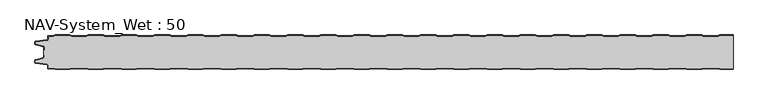
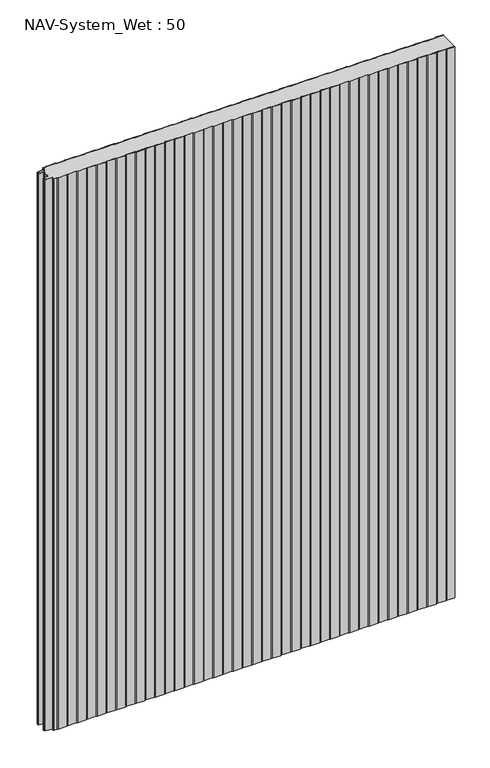
"""IFC4 building model written with IfcOpenShell, lengths in millimetres: plate geometry, NAV-System_Wet : 50."""

from ifc_helpers import new_model, si_unit, point, frame_2d, origin, origin_with_axes, place, context, project, spatial, polyline, circle_curve, trimmed, segment, composite_curve, outline, extrude, source, transform, mapped, element, save


def nav_system_wet_50_f5c46273(model_context):
    return source(origin(), model_context, "Body", "SweptSolid", [
        extrude(outline(composite_curve([segment(polyline([(480.3684327, -0.8), (477.3684327, 0.2), (455.3684327, 0.2), (452.3684327, -0.8), (430.3684327, -0.8), (427.3684327, 0.2), (405.3684327, 0.2), (402.3684327, -0.8), (380.3684327, -0.8), (377.3684327, 0.2), (355.3684327, 0.2), (352.3684327, -0.8), (330.3684327, -0.8), (327.3684327, 0.2), (305.3684327, 0.2), (302.3684327, -0.8), (280.3684327, -0.8), (277.3684327, 0.2), (255.3684327, 0.2), (252.3684327, -0.8), (230.3684327, -0.8), (227.3684327, 0.2), (205.3684327, 0.2), (202.3684327, -0.8), (180.3684327, -0.8), (177.3684327, 0.2), (155.3684327, 0.2), (152.3684327, -0.8), (130.3684327, -0.8), (127.3684327, 0.2), (105.3684327, 0.2), (102.3684327, -0.8), (80.3684327, -0.8), (77.3684327, 0.2), (55.3684327, 0.2), (52.3684327, -0.8), (30.3684327, -0.8), (27.3684327, 0.2), (5.3684327, 0.2), (2.3684327, -0.8), (-19.6315673, -0.8), (-22.6315673, 0.2), (-44.6315673, 0.2), (-47.6315673, -0.8), (-69.6315673, -0.8), (-72.6315673, 0.2), (-94.6315673, 0.2), (-97.6315673, -0.8), (-119.6315673, -0.8), (-122.6315673, 0.2), (-144.6315673, 0.2), (-147.6315673, -0.8), (-169.6315673, -0.8), (-172.6315673, 0.2), (-194.6315673, 0.2), (-197.6315673, -0.8), (-219.6315673, -0.8), (-222.6315673, 0.2), (-244.6315673, 0.2), (-247.6315673, -0.8), (-269.6315673, -0.8), (-272.6315673, 0.2), (-294.6315673, 0.2), (-297.6315673, -0.8), (-319.6315673, -0.8), (-322.6315673, 0.2), (-344.6315673, 0.2), (-347.6315673, -0.8), (-369.6315673, -0.8), (-372.6315673, 0.2), (-394.6315673, 0.2), (-397.6315673, -0.8), (-419.6315673, -0.8), (-422.6315673, 0.2), (-444.6315673, 0.2), (-447.6315673, -0.8), (-469.6315673, -0.8), (-472.6315673, 0.2), (-494.6315673, 0.2), (-497.6315673, -0.8), (-504.7, -0.8)]), True, "CONTINUOUS"), segment(trimmed(circle_curve(frame_2d((-504.7, -1.3)), 0.5), [point((-504.7, -0.8))], [point((-505.2, -1.3))], True, "CARTESIAN"), True, "CONTINUOUS"), segment(polyline([(-505.2, -1.3), (-505.2, -5.3964683)]), True, "CONTINUOUS"), segment(trimmed(circle_curve(frame_2d((-506.7, -5.3964683)), 1.5), [point((-505.2, -5.3964683))], [point((-506.4911207, -6.8818536))], False, "CARTESIAN"), True, "CONTINUOUS"), segment(polyline([(-506.4911207, -6.8818536), (-523.4352183, -9.2645825)]), True, "CONTINUOUS"), segment(trimmed(circle_curve(frame_2d((-523.3114909, -10.1444347)), 0.8885091), [point((-523.4352183, -9.2645825))], [point((-524.2, -10.1444347))], True, "CARTESIAN"), True, "CONTINUOUS"), segment(polyline([(-524.2, -10.1444347), (-524.2, -12.46995)]), True, "CONTINUOUS"), segment(trimmed(circle_curve(frame_2d((-523.6, -12.46995)), 0.6), [point((-524.2, -12.46995))], [point((-523.7552914, -13.0495055))], True, "CARTESIAN"), True, "CONTINUOUS"), segment(polyline([(-523.7552914, -13.0495055), (-512.3785632, -16.0978907)]), True, "CONTINUOUS"), segment(trimmed(circle_curve(frame_2d((-512.7667917, -17.5467794)), 1.5), [point((-512.3785632, -16.0978907))], [point((-511.2667917, -17.5467794))], False, "CARTESIAN"), True, "CONTINUOUS"), segment(polyline([(-511.2667917, -17.5467794), (-511.2667917, -21.0096505), (-512.0667917, -21.0096505), (-512.0667917, -17.5467794)]), True, "CONTINUOUS"), segment(trimmed(circle_curve(frame_2d((-512.7667917, -17.5467794)), 0.7), [point((-512.0667917, -17.5467794))], [point((-512.5856184, -16.8706313))], True, "CARTESIAN"), True, "CONTINUOUS"), segment(polyline([(-512.5856184, -16.8706313), (-524.0364648, -13.8023863)]), True, "CONTINUOUS"), segment(trimmed(circle_curve(frame_2d((-523.7, -12.5466827)), 1.3), [point((-524.0364648, -13.8023863))], [point((-525.0, -12.5466827))], False, "CARTESIAN"), True, "CONTINUOUS"), segment(polyline([(-525.0, -12.5466827), (-525.0, -9.8067363)]), True, "CONTINUOUS"), segment(trimmed(circle_curve(frame_2d((-523.7, -9.8067363)), 1.3), [point((-525.0, -9.8067363))], [point((-523.8810287, -8.5194024))], False, "CARTESIAN"), True, "CONTINUOUS"), segment(polyline([(-523.8810287, -8.5194024), (-506.602523, -6.0896481)]), True, "CONTINUOUS"), segment(trimmed(circle_curve(frame_2d((-506.7, -5.3964683)), 0.7), [point((-506.602523, -6.0896481))], [point((-506.0, -5.3964683))], True, "CARTESIAN"), True, "CONTINUOUS"), segment(polyline([(-506.0, -5.3964683), (-506.0, -1.3)]), True, "CONTINUOUS"), segment(trimmed(circle_curve(frame_2d((-504.7, -1.3)), 1.3), [point((-506.0, -1.3))], [point((-504.7, 0.0))], False, "CARTESIAN"), True, "CONTINUOUS"), segment(polyline([(-504.7, 0.0), (-497.7613895, 0.0), (-494.7613895, 1.0), (-472.5017452, 1.0), (-469.5017452, 0.0), (-447.7613895, 0.0), (-444.7613895, 1.0), (-422.5017452, 1.0), (-419.5017452, 0.0), (-397.7613895, 0.0), (-394.7613895, 1.0), (-372.5017452, 1.0), (-369.5017452, 0.0), (-347.7613895, 0.0), (-344.7613895, 1.0), (-322.5017452, 1.0), (-319.5017452, 0.0), (-297.7613895, 0.0), (-294.7613895, 1.0), (-272.5017452, 1.0), (-269.5017452, 0.0), (-247.7613895, 0.0), (-244.7613895, 1.0), (-222.5017452, 1.0), (-219.5017452, 0.0), (-197.7613895, 0.0), (-194.7613895, 1.0), (-172.5017452, 1.0), (-169.5017452, 0.0), (-147.7613895, 0.0), (-144.7613895, 1.0), (-122.5017452, 1.0), (-119.5017452, 0.0), (-97.7613895, 0.0), (-94.7613895, 1.0), (-72.5017452, 1.0), (-69.5017452, 0.0), (-47.7613895, 0.0), (-44.7613895, 1.0), (-22.5017452, 1.0), (-19.5017452, 0.0), (2.2386105, 0.0), (5.2386105, 1.0), (27.4982548, 1.0), (30.4982548, 0.0), (52.2386105, 0.0), (55.2386105, 1.0), (77.4982548, 1.0), (80.4982548, 0.0), (102.2386105, 0.0), (105.2386105, 1.0), (127.4982548, 1.0), (130.4982548, 0.0), (152.2386105, 0.0), (155.2386105, 1.0), (177.4982548, 1.0), (180.4982548, 0.0), (202.2386105, 0.0), (205.2386105, 1.0), (227.4982548, 1.0), (230.4982548, 0.0), (252.2386105, 0.0), (255.2386105, 1.0), (277.4982548, 1.0), (280.4982548, 0.0), (302.2386105, 0.0), (305.2386105, 1.0), (327.4982548, 1.0), (330.4982548, 0.0), (352.2386105, 0.0), (355.2386105, 1.0), (377.4982548, 1.0), (380.4982548, 0.0), (402.2386105, 0.0), (405.2386105, 1.0), (427.4982548, 1.0), (430.4982548, 0.0), (452.2386105, 0.0), (455.2386105, 1.0), (477.4982548, 1.0), (480.4982548, 0.0), (502.2386105, 0.0), (505.2386105, 1.0), (525.0, 1.0), (525.0, 0.2), (505.3684327, 0.2), (502.3684327, -0.8), (480.3684327, -0.8)]), True, "CONTINUOUS")], self_intersect=False)), origin_with_axes(), (0.0, 0.0, 1.0), 1500.0),
        extrude(outline(composite_curve([segment(polyline([(480.3684327, -0.8), (502.3684327, -0.8), (505.3684327, 0.2), (525.0, 0.2), (525.0, -50.2), (505.3684327, -50.2), (502.3684327, -49.2), (480.3684327, -49.2), (477.3684327, -50.2), (455.3684327, -50.2), (452.3684327, -49.2), (430.3684327, -49.2), (427.3684327, -50.2), (405.3684327, -50.2), (402.3684327, -49.2), (380.3684327, -49.2), (377.3684327, -50.2), (355.3684327, -50.2), (352.3684327, -49.2), (330.3684327, -49.2), (327.3684327, -50.2), (305.3684327, -50.2), (302.3684327, -49.2), (280.3684327, -49.2), (277.3684327, -50.2), (255.3684327, -50.2), (252.3684327, -49.2), (230.3684327, -49.2), (227.3684327, -50.2), (205.3684327, -50.2), (202.3684327, -49.2), (180.3684327, -49.2), (177.3684327, -50.2), (155.3684327, -50.2), (152.3684327, -49.2), (130.3684327, -49.2), (127.3684327, -50.2), (105.3684327, -50.2), (102.3684327, -49.2), (80.3684327, -49.2), (77.3684327, -50.2), (55.3684327, -50.2), (52.3684327, -49.2), (30.3684327, -49.2), (27.3684327, -50.2), (5.3684327, -50.2), (2.3684327, -49.2), (-19.6315673, -49.2), (-22.6315673, -50.2), (-44.6315673, -50.2), (-47.6315673, -49.2), (-69.6315673, -49.2), (-72.6315673, -50.2), (-94.6315673, -50.2), (-97.6315673, -49.2), (-119.6315673, -49.2), (-122.6315673, -50.2), (-144.6315673, -50.2), (-147.6315673, -49.2), (-169.6315673, -49.2), (-172.6315673, -50.2), (-194.6315673, -50.2), (-197.6315673, -49.2), (-219.6315673, -49.2), (-222.6315673, -50.2), (-244.6315673, -50.2), (-247.6315673, -49.2), (-269.6315673, -49.2), (-272.6315673, -50.2), (-294.6315673, -50.2), (-297.6315673, -49.2), (-319.6315673, -49.2), (-322.6315673, -50.2), (-344.6315673, -50.2), (-347.6315673, -49.2), (-369.6315673, -49.2), (-372.6315673, -50.2), (-394.6315673, -50.2), (-397.6315673, -49.2), (-419.6315673, -49.2), (-422.6315673, -50.2), (-444.6315673, -50.2), (-447.6315673, -49.2), (-469.6315673, -49.2), (-472.6315673, -50.2), (-494.6315673, -50.2), (-497.6315673, -49.2), (-504.7, -49.2)]), True, "CONTINUOUS"), segment(trimmed(circle_curve(frame_2d((-504.7, -48.7)), 0.5), [point((-504.7, -49.2))], [point((-505.2, -48.7))], False, "CARTESIAN"), True, "CONTINUOUS"), segment(polyline([(-505.2, -48.7), (-505.2, -44.6035317)]), True, "CONTINUOUS"), segment(trimmed(circle_curve(frame_2d((-506.7, -44.6035317)), 1.5), [point((-505.2, -44.6035317))], [point((-506.4911207, -43.1181464))], True, "CARTESIAN"), True, "CONTINUOUS"), segment(polyline([(-506.4911207, -43.1181464), (-523.4352183, -40.7354175)]), True, "CONTINUOUS"), segment(trimmed(circle_curve(frame_2d((-523.3114909, -39.8555653)), 0.8885091), [point((-523.4352183, -40.7354175))], [point((-524.2, -39.8555653))], False, "CARTESIAN"), True, "CONTINUOUS"), segment(polyline([(-524.2, -39.8555653), (-524.2, -37.53005)]), True, "CONTINUOUS"), segment(trimmed(circle_curve(frame_2d((-523.6, -37.53005)), 0.6), [point((-524.2, -37.53005))], [point((-523.7552914, -36.9504945))], False, "CARTESIAN"), True, "CONTINUOUS"), segment(polyline([(-523.7552914, -36.9504945), (-512.3785632, -33.9021093)]), True, "CONTINUOUS"), segment(trimmed(circle_curve(frame_2d((-512.7667917, -32.4532206)), 1.5), [point((-512.3785632, -33.9021093))], [point((-511.2667917, -32.4532206))], True, "CARTESIAN"), True, "CONTINUOUS"), segment(polyline([(-511.2667917, -32.4532206), (-511.2667917, -28.9903495), (-512.0667917, -28.9903495), (-512.0667917, -21.0096505), (-511.2667917, -21.0096505), (-511.2667917, -17.5467794)]), True, "CONTINUOUS"), segment(trimmed(circle_curve(frame_2d((-512.7667917, -17.5467794)), 1.5), [point((-511.2667917, -17.5467794))], [point((-512.3785632, -16.0978907))], True, "CARTESIAN"), True, "CONTINUOUS"), segment(polyline([(-512.3785632, -16.0978907), (-523.7552914, -13.0495055)]), True, "CONTINUOUS"), segment(trimmed(circle_curve(frame_2d((-523.6, -12.46995)), 0.6), [point((-523.7552914, -13.0495055))], [point((-524.2, -12.46995))], False, "CARTESIAN"), True, "CONTINUOUS"), segment(polyline([(-524.2, -12.46995), (-524.2, -10.1444347)]), True, "CONTINUOUS"), segment(trimmed(circle_curve(frame_2d((-523.3114909, -10.1444347)), 0.8885091), [point((-524.2, -10.1444347))], [point((-523.4352183, -9.2645825))], False, "CARTESIAN"), True, "CONTINUOUS"), segment(polyline([(-523.4352183, -9.2645825), (-506.4911207, -6.8818536)]), True, "CONTINUOUS"), segment(trimmed(circle_curve(frame_2d((-506.7, -5.3964683)), 1.5), [point((-506.4911207, -6.8818536))], [point((-505.2, -5.3964683))], True, "CARTESIAN"), True, "CONTINUOUS"), segment(polyline([(-505.2, -5.3964683), (-505.2, -1.3)]), True, "CONTINUOUS"), segment(trimmed(circle_curve(frame_2d((-504.7, -1.3)), 0.5), [point((-505.2, -1.3))], [point((-504.7, -0.8))], False, "CARTESIAN"), True, "CONTINUOUS"), segment(polyline([(-504.7, -0.8), (-497.6315673, -0.8), (-494.6315673, 0.2), (-472.6315673, 0.2), (-469.6315673, -0.8), (-447.6315673, -0.8), (-444.6315673, 0.2), (-422.6315673, 0.2), (-419.6315673, -0.8), (-397.6315673, -0.8), (-394.6315673, 0.2), (-372.6315673, 0.2), (-369.6315673, -0.8), (-347.6315673, -0.8), (-344.6315673, 0.2), (-322.6315673, 0.2), (-319.6315673, -0.8), (-297.6315673, -0.8), (-294.6315673, 0.2), (-272.6315673, 0.2), (-269.6315673, -0.8), (-247.6315673, -0.8), (-244.6315673, 0.2), (-222.6315673, 0.2), (-219.6315673, -0.8), (-197.6315673, -0.8), (-194.6315673, 0.2), (-172.6315673, 0.2), (-169.6315673, -0.8), (-147.6315673, -0.8), (-144.6315673, 0.2), (-122.6315673, 0.2), (-119.6315673, -0.8), (-97.6315673, -0.8), (-94.6315673, 0.2), (-72.6315673, 0.2), (-69.6315673, -0.8), (-47.6315673, -0.8), (-44.6315673, 0.2), (-22.6315673, 0.2), (-19.6315673, -0.8), (2.3684327, -0.8), (5.3684327, 0.2), (27.3684327, 0.2), (30.3684327, -0.8), (52.3684327, -0.8), (55.3684327, 0.2), (77.3684327, 0.2), (80.3684327, -0.8), (102.3684327, -0.8), (105.3684327, 0.2), (127.3684327, 0.2), (130.3684327, -0.8), (152.3684327, -0.8), (155.3684327, 0.2), (177.3684327, 0.2), (180.3684327, -0.8), (202.3684327, -0.8), (205.3684327, 0.2), (227.3684327, 0.2), (230.3684327, -0.8), (252.3684327, -0.8), (255.3684327, 0.2), (277.3684327, 0.2), (280.3684327, -0.8), (302.3684327, -0.8), (305.3684327, 0.2), (327.3684327, 0.2), (330.3684327, -0.8), (352.3684327, -0.8), (355.3684327, 0.2), (377.3684327, 0.2), (380.3684327, -0.8), (402.3684327, -0.8), (405.3684327, 0.2), (427.3684327, 0.2), (430.3684327, -0.8), (452.3684327, -0.8), (455.3684327, 0.2), (477.3684327, 0.2), (480.3684327, -0.8)]), True, "CONTINUOUS")], self_intersect=False)), origin_with_axes(), (0.0, 0.0, 1.0), 1500.0),
        extrude(outline(composite_curve([segment(polyline([(480.3684327, -49.2), (502.3684327, -49.2), (505.3684327, -50.2), (525.0, -50.2), (525.0, -51.0), (505.2386105, -51.0), (502.2386105, -50.0), (480.4982548, -50.0), (477.4982548, -51.0), (455.2386105, -51.0), (452.2386105, -50.0), (430.4982548, -50.0), (427.4982548, -51.0), (405.2386105, -51.0), (402.2386105, -50.0), (380.4982548, -50.0), (377.4982548, -51.0), (355.2386105, -51.0), (352.2386105, -50.0), (330.4982548, -50.0), (327.4982548, -51.0), (305.2386105, -51.0), (302.2386105, -50.0), (280.4982548, -50.0), (277.4982548, -51.0), (255.2386105, -51.0), (252.2386105, -50.0), (230.4982548, -50.0), (227.4982548, -51.0), (205.2386105, -51.0), (202.2386105, -50.0), (180.4982548, -50.0), (177.4982548, -51.0), (155.2386105, -51.0), (152.2386105, -50.0), (130.4982548, -50.0), (127.4982548, -51.0), (105.2386105, -51.0), (102.2386105, -50.0), (80.4982548, -50.0), (77.4982548, -51.0), (55.2386105, -51.0), (52.2386105, -50.0), (30.4982548, -50.0), (27.4982548, -51.0), (5.2386105, -51.0), (2.2386105, -50.0), (-19.5017452, -50.0), (-22.5017452, -51.0), (-44.7613895, -51.0), (-47.7613895, -50.0), (-69.5017452, -50.0), (-72.5017452, -51.0), (-94.7613895, -51.0), (-97.7613895, -50.0), (-119.5017452, -50.0), (-122.5017452, -51.0), (-144.7613895, -51.0), (-147.7613895, -50.0), (-169.5017452, -50.0), (-172.5017452, -51.0), (-194.7613895, -51.0), (-197.7613895, -50.0), (-219.5017452, -50.0), (-222.5017452, -51.0), (-244.7613895, -51.0), (-247.7613895, -50.0), (-269.5017452, -50.0), (-272.5017452, -51.0), (-294.7613895, -51.0), (-297.7613895, -50.0), (-319.5017452, -50.0), (-322.5017452, -51.0), (-344.7613895, -51.0), (-347.7613895, -50.0), (-369.5017452, -50.0), (-372.5017452, -51.0), (-394.7613895, -51.0), (-397.7613895, -50.0), (-419.5017452, -50.0), (-422.5017452, -51.0), (-444.7613895, -51.0), (-447.7613895, -50.0), (-469.5017452, -50.0), (-472.5017452, -51.0), (-494.7613895, -51.0), (-497.7613895, -50.0), (-504.7, -50.0)]), True, "CONTINUOUS"), segment(trimmed(circle_curve(frame_2d((-504.7, -48.7)), 1.3), [point((-504.7, -50.0))], [point((-506.0, -48.7))], False, "CARTESIAN"), True, "CONTINUOUS"), segment(polyline([(-506.0, -48.7), (-506.0, -44.6035317)]), True, "CONTINUOUS"), segment(trimmed(circle_curve(frame_2d((-506.7, -44.6035317)), 0.7), [point((-506.0, -44.6035317))], [point((-506.602523, -43.9103519))], True, "CARTESIAN"), True, "CONTINUOUS"), segment(polyline([(-506.602523, -43.9103519), (-523.8810287, -41.4805976)]), True, "CONTINUOUS"), segment(trimmed(circle_curve(frame_2d((-523.7, -40.1932637)), 1.3), [point((-523.8810287, -41.4805976))], [point((-525.0, -40.1932637))], False, "CARTESIAN"), True, "CONTINUOUS"), segment(polyline([(-525.0, -40.1932637), (-525.0, -37.4533173)]), True, "CONTINUOUS"), segment(trimmed(circle_curve(frame_2d((-523.7, -37.4533173)), 1.3), [point((-525.0, -37.4533173))], [point((-524.0364648, -36.1976137))], False, "CARTESIAN"), True, "CONTINUOUS"), segment(polyline([(-524.0364648, -36.1976137), (-512.5856184, -33.1293687)]), True, "CONTINUOUS"), segment(trimmed(circle_curve(frame_2d((-512.7667917, -32.4532206)), 0.7), [point((-512.5856184, -33.1293687))], [point((-512.0667917, -32.4532206))], True, "CARTESIAN"), True, "CONTINUOUS"), segment(polyline([(-512.0667917, -32.4532206), (-512.0667917, -28.9903495), (-511.2667917, -28.9903495), (-511.2667917, -32.4532206)]), True, "CONTINUOUS"), segment(trimmed(circle_curve(frame_2d((-512.7667917, -32.4532206)), 1.5), [point((-511.2667917, -32.4532206))], [point((-512.3785632, -33.9021093))], False, "CARTESIAN"), True, "CONTINUOUS"), segment(polyline([(-512.3785632, -33.9021093), (-523.7552914, -36.9504945)]), True, "CONTINUOUS"), segment(trimmed(circle_curve(frame_2d((-523.6, -37.53005)), 0.6), [point((-523.7552914, -36.9504945))], [point((-524.2, -37.53005))], True, "CARTESIAN"), True, "CONTINUOUS"), segment(polyline([(-524.2, -37.53005), (-524.2, -39.8555653)]), True, "CONTINUOUS"), segment(trimmed(circle_curve(frame_2d((-523.3114909, -39.8555653)), 0.8885091), [point((-524.2, -39.8555653))], [point((-523.4352183, -40.7354175))], True, "CARTESIAN"), True, "CONTINUOUS"), segment(polyline([(-523.4352183, -40.7354175), (-506.4911207, -43.1181464)]), True, "CONTINUOUS"), segment(trimmed(circle_curve(frame_2d((-506.7, -44.6035317)), 1.5), [point((-506.4911207, -43.1181464))], [point((-505.2, -44.6035317))], False, "CARTESIAN"), True, "CONTINUOUS"), segment(polyline([(-505.2, -44.6035317), (-505.2, -48.7)]), True, "CONTINUOUS"), segment(trimmed(circle_curve(frame_2d((-504.7, -48.7)), 0.5), [point((-505.2, -48.7))], [point((-504.7, -49.2))], True, "CARTESIAN"), True, "CONTINUOUS"), segment(polyline([(-504.7, -49.2), (-497.6315673, -49.2), (-494.6315673, -50.2), (-472.6315673, -50.2), (-469.6315673, -49.2), (-447.6315673, -49.2), (-444.6315673, -50.2), (-422.6315673, -50.2), (-419.6315673, -49.2), (-397.6315673, -49.2), (-394.6315673, -50.2), (-372.6315673, -50.2), (-369.6315673, -49.2), (-347.6315673, -49.2), (-344.6315673, -50.2), (-322.6315673, -50.2), (-319.6315673, -49.2), (-297.6315673, -49.2), (-294.6315673, -50.2), (-272.6315673, -50.2), (-269.6315673, -49.2), (-247.6315673, -49.2), (-244.6315673, -50.2), (-222.6315673, -50.2), (-219.6315673, -49.2), (-197.6315673, -49.2), (-194.6315673, -50.2), (-172.6315673, -50.2), (-169.6315673, -49.2), (-147.6315673, -49.2), (-144.6315673, -50.2), (-122.6315673, -50.2), (-119.6315673, -49.2), (-97.6315673, -49.2), (-94.6315673, -50.2), (-72.6315673, -50.2), (-69.6315673, -49.2), (-47.6315673, -49.2), (-44.6315673, -50.2), (-22.6315673, -50.2), (-19.6315673, -49.2), (2.3684327, -49.2), (5.3684327, -50.2), (27.3684327, -50.2), (30.3684327, -49.2), (52.3684327, -49.2), (55.3684327, -50.2), (77.3684327, -50.2), (80.3684327, -49.2), (102.3684327, -49.2), (105.3684327, -50.2), (127.3684327, -50.2), (130.3684327, -49.2), (152.3684327, -49.2), (155.3684327, -50.2), (177.3684327, -50.2), (180.3684327, -49.2), (202.3684327, -49.2), (205.3684327, -50.2), (227.3684327, -50.2), (230.3684327, -49.2), (252.3684327, -49.2), (255.3684327, -50.2), (277.3684327, -50.2), (280.3684327, -49.2), (302.3684327, -49.2), (305.3684327, -50.2), (327.3684327, -50.2), (330.3684327, -49.2), (352.3684327, -49.2), (355.3684327, -50.2), (377.3684327, -50.2), (380.3684327, -49.2), (402.3684327, -49.2), (405.3684327, -50.2), (427.3684327, -50.2), (430.3684327, -49.2), (452.3684327, -49.2), (455.3684327, -50.2), (477.3684327, -50.2), (480.3684327, -49.2)]), True, "CONTINUOUS")], self_intersect=False)), origin_with_axes(), (0.0, 0.0, 1.0), 1500.0),
    ])


if __name__ == "__main__":
    model = new_model("IFC4")
    model_context = context("Model", 3, world=origin())
    ifc_project = project(units=[si_unit("LENGTHUNIT", "METRE", prefix="MILLI")], contexts=[model_context])
    site = spatial("IfcSite", under=ifc_project)
    building = spatial("IfcBuilding", under=site)
    placement = place(None, origin())
    nav_system_wet_50_shape = nav_system_wet_50_f5c46273(model_context)
    element("IfcPlate", 1, ObjectType="NAV-System_Wet : 50", at=placement, inside=building, context=model_context, shape_type="MappedRepresentation", body=[
        mapped(nav_system_wet_50_shape, transform((0.0, 0.0, 0.0), x_axis=(1.0, 0.0, 0.0), y_axis=(0.0, 1.0, 0.0), z_axis=(0.0, 0.0, 1.0))),
    ])
    save(model, "model.ifc")
